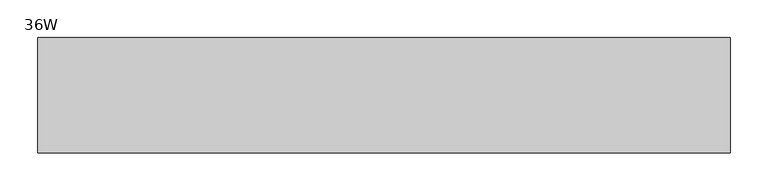
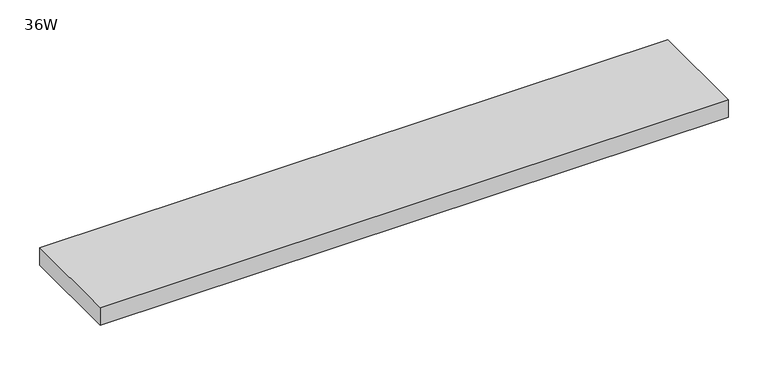
"""IFC4 building model written with IfcOpenShell, lengths in millimetres: furniture geometry, 36W."""

from ifc_helpers import new_model, si_unit, frame, origin, place, context, project, spatial, polyline, outline, extrude, source, transform, mapped, element, save


def furniture_36w_166f7b41(model_context):
    return source(origin(), model_context, "Body", "SweptSolid", [
        extrude(outline(polyline([(914.4, 0.0), (914.4, -152.4), (0.0, -152.4), (0.0, 0.0), (914.4, 0.0)])), frame((0.0, 0.0, 273.05), z_axis=(0.0, 0.0, 1.0), x_axis=(1.0, 0.0, 0.0)), (0.0, 0.0, 1.0), 26.924),
    ])


if __name__ == "__main__":
    model = new_model("IFC4")
    model_context = context("Model", 3, world=origin())
    ifc_project = project(units=[si_unit("LENGTHUNIT", "METRE", prefix="MILLI")], contexts=[model_context])
    site = spatial("IfcSite", under=ifc_project)
    building = spatial("IfcBuilding", under=site)
    placement = place(None, origin())
    furniture_36w_shape = furniture_36w_166f7b41(model_context)
    element("IfcFurniture", 1, ObjectType="36W", at=placement, inside=building, context=model_context, shape_type="MappedRepresentation", body=[
        mapped(furniture_36w_shape, transform((0.0, 0.0, 0.0), x_axis=(1.0, 0.0, 0.0), y_axis=(0.0, 1.0, 0.0), z_axis=(0.0, 0.0, 1.0))),
    ])
    save(model, "model.ifc")
